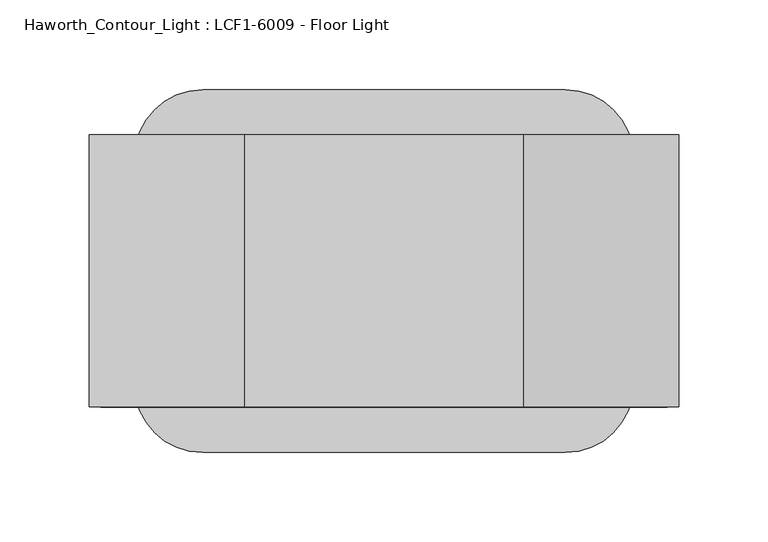
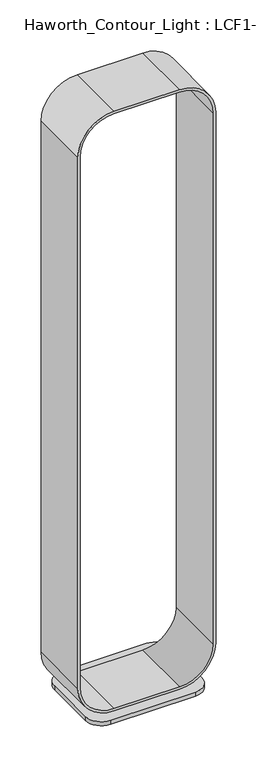
"""IFC4 building model written with IfcOpenShell, lengths in millimetres: light fixture geometry, Haworth_Contour_Light : LCF1-6009 - Floor Light."""

import ifcopenshell
import ifcopenshell.guid

model = None  # the IFC model being written
_history = None  # IfcOwnerHistory: only IFC2X3 demands one
_inside = {}  # id of a spatial element -> (the spatial element, [elements in it])
_under = {}  # id of a project, library or spatial element -> (it, [spatial elements below it])
_declared = {}  # id of a project -> (the project, [libraries it declares])
_typed = {}  # id of a type object -> (the type object, [elements of that type])
_made_of = {}  # id of a material, layer set ... -> (it, [elements and type objects made of it])


def new_model(schema):
    """Start an empty IFC model of exactly this schema.

    Asked for "IFC4X3", IfcOpenShell would pick the latest addendum, in which some entities
    have other attributes; the version numbers below select the first issue.
    IFC2X3 requires an IfcOwnerHistory on every rooted entity: one is made here for all.
    """
    global model, _history
    if schema == "IFC4X3":
        model = ifcopenshell.file(schema_version=(4, 3, 0, 0))
    else:
        model = ifcopenshell.file(schema=schema)
    _inside.clear()
    _under.clear()
    _declared.clear()
    _typed.clear()
    _made_of.clear()
    _history = None
    if model.schema == "IFC2X3":
        org = make("IfcOrganization", Name="unknown")
        user = make(
            "IfcPersonAndOrganization",
            ThePerson=make("IfcPerson", FamilyName="unknown"),
            TheOrganization=org,
        )
        app = make(
            "IfcApplication",
            ApplicationDeveloper=org,
            Version="unknown",
            ApplicationFullName="unknown",
            ApplicationIdentifier="unknown",
        )
        _history = make(
            "IfcOwnerHistory",
            OwningUser=user,
            OwningApplication=app,
            ChangeAction="ADDED",
            CreationDate=0,
        )
    return model


def make(cls, **values):
    """One entity of the class cls with the attributes given. An attribute that is None is left unset."""
    return model.create_entity(
        cls, **{name: value for name, value in values.items() if value is not None}
    )


def rooted(cls, **values):
    """An entity with a GlobalId (a new one), such as an element, a storey or a relation."""
    return make(cls, GlobalId=ifcopenshell.guid.new(), OwnerHistory=_history, **values)


def si_unit(unit_type, name, prefix=None):
    """IfcSIUnit, for example si_unit("LENGTHUNIT", "METRE", prefix="MILLI")."""
    return make("IfcSIUnit", UnitType=unit_type, Prefix=prefix, Name=name)


def assignment(units):
    """IfcUnitAssignment: the units of a project."""
    return None if units is None else make("IfcUnitAssignment", Units=units)


def point(xyz):
    """IfcCartesianPoint."""
    return None if xyz is None else make("IfcCartesianPoint", Coordinates=xyz)


def direction(xyz):
    """IfcDirection."""
    return None if xyz is None else make("IfcDirection", DirectionRatios=xyz)


def frame(location, z_axis=None, x_axis=None):
    """IfcAxis2Placement3D, a coordinate frame: its origin and axes. An axis left out is left unset."""
    return make(
        "IfcAxis2Placement3D",
        Location=point(location),
        Axis=direction(z_axis),
        RefDirection=direction(x_axis),
    )


def frame_2d(location, x_axis=None):
    """IfcAxis2Placement2D, a coordinate frame in the plane: its origin and x axis."""
    return make(
        "IfcAxis2Placement2D", Location=point(location), RefDirection=direction(x_axis)
    )


def origin():
    """The frame at (0, 0, 0) with its axes left unset."""
    return frame((0.0, 0.0, 0.0))


def origin_with_axes():
    """The frame at (0, 0, 0) with the z axis (0, 0, 1) and the x axis (1, 0, 0) written out."""
    return frame((0.0, 0.0, 0.0), z_axis=(0.0, 0.0, 1.0), x_axis=(1.0, 0.0, 0.0))


def place(relative_to, where):
    """IfcLocalPlacement: puts the frame where relative to a parent placement (None: the world)."""
    return make(
        "IfcLocalPlacement", PlacementRelTo=relative_to, RelativePlacement=where
    )


def context(
    kind, dimensions, precision=None, world=None, true_north=None, identifier=None
):
    """IfcGeometricRepresentationContext, for example the 3D "Model" context."""
    return make(
        "IfcGeometricRepresentationContext",
        ContextIdentifier=identifier,
        ContextType=kind,
        CoordinateSpaceDimension=dimensions,
        Precision=precision,
        WorldCoordinateSystem=world,
        TrueNorth=true_north,
    )


def project(units=None, contexts=None):
    """IfcProject with its units and contexts."""
    return rooted(
        "IfcProject",
        Name="project",
        RepresentationContexts=contexts,
        UnitsInContext=assignment(units),
    )


def spatial(cls, under=None, at=None, **own):
    """A site, building, storey or space (cls), placed at a placement, below another one or the project."""
    s = rooted(cls, ObjectPlacement=at, **own)
    if under is not None:
        _under.setdefault(under.id(), (under, []))[1].append(s)
    return s


def polyline(points):
    """IfcPolyline through the points."""
    return make("IfcPolyline", Points=[point(p) for p in points])


def circle_curve(where, radius):
    """IfcCircle in the frame where."""
    return make("IfcCircle", Position=where, Radius=radius)


def trimmed(basis, trim1, trim2, sense, master):
    """IfcTrimmedCurve: the piece of a basis curve between two trims."""
    return make(
        "IfcTrimmedCurve",
        BasisCurve=basis,
        Trim1=trim1,
        Trim2=trim2,
        SenseAgreement=sense,
        MasterRepresentation=master,
    )


def segment(curve, same_sense, transition):
    """IfcCompositeCurveSegment."""
    return make(
        "IfcCompositeCurveSegment",
        Transition=transition,
        SameSense=same_sense,
        ParentCurve=curve,
    )


def composite_curve(segments, self_intersect=None):
    """IfcCompositeCurve: segments joined end to end."""
    return make("IfcCompositeCurve", Segments=segments, SelfIntersect=self_intersect)


def outline(outer, holes=None, kind="AREA"):
    """IfcArbitraryClosedProfileDef: a profile drawn as a closed curve; with holes, ...WithVoids."""
    if holes is None:
        return make("IfcArbitraryClosedProfileDef", ProfileType=kind, OuterCurve=outer)
    return make(
        "IfcArbitraryProfileDefWithVoids",
        ProfileType=kind,
        OuterCurve=outer,
        InnerCurves=holes,
    )


def extrude(swept, where, along, depth):
    """IfcExtrudedAreaSolid: the profile swept, set in the frame where, extruded along a direction by depth."""
    return make(
        "IfcExtrudedAreaSolid",
        SweptArea=swept,
        Position=where,
        ExtrudedDirection=direction(along),
        Depth=depth,
    )


def shape(context_of_items, identifier, shape_type, items):
    """IfcShapeRepresentation: the items that make up one representation, for example the "Body"."""
    return make(
        "IfcShapeRepresentation",
        ContextOfItems=context_of_items,
        RepresentationIdentifier=identifier,
        RepresentationType=shape_type,
        Items=items,
    )


def source(mapping_origin, context_of_items, identifier, shape_type, items):
    """IfcRepresentationMap: a shape defined once, which mapped items show again and again."""
    return make(
        "IfcRepresentationMap",
        MappingOrigin=mapping_origin,
        MappedRepresentation=shape(context_of_items, identifier, shape_type, items),
    )


def transform(
    local_origin,
    x_axis=None,
    y_axis=None,
    z_axis=None,
    scale=None,
    scale2=None,
    scale3=None,
    uniform=True,
):
    """IfcCartesianTransformationOperator3D, or its non-uniform kind. x_axis, y_axis, z_axis: its Axis1, 2, 3."""
    if uniform:
        return make(
            "IfcCartesianTransformationOperator3D",
            Axis1=direction(x_axis),
            Axis2=direction(y_axis),
            LocalOrigin=point(local_origin),
            Scale=scale,
            Axis3=direction(z_axis),
        )
    return make(
        "IfcCartesianTransformationOperator3DnonUniform",
        Axis1=direction(x_axis),
        Axis2=direction(y_axis),
        LocalOrigin=point(local_origin),
        Scale=scale,
        Axis3=direction(z_axis),
        Scale2=scale2,
        Scale3=scale3,
    )


def mapped(mapping_source, mapping_target):
    """IfcMappedItem: shows the shape of a source again, moved by a transform."""
    return make(
        "IfcMappedItem", MappingSource=mapping_source, MappingTarget=mapping_target
    )


def made_of(thing, what):
    """Note that an element or type object is made of a material, layer set ...; save() writes the relation."""
    if what is not None:
        _made_of.setdefault(what.id(), (what, []))[1].append(thing)
    return thing


def element(
    cls,
    number,
    at=None,
    inside=None,
    cuts=None,
    type_object=None,
    material=None,
    context=None,
    identifier="Body",
    shape_type=None,
    held_by="IfcProductDefinitionShape",
    body=None,
    shapes=None,
    **own,
):
    """One element of the class cls, such as IfcWall. Its Tag is "e" and its number.

    at: its placement. inside: the storey or other place that contains it. cuts: it is an
    opening in that element (IfcRelVoidsElement). A single representation is given by context,
    identifier, shape_type and body (its items); several are given by shapes. held_by: the class
    of the entity that holds the representations. save() writes the other relations.
    """
    e = rooted(cls, Tag="e%d" % number, ObjectPlacement=at, **own)
    if body is not None:
        shapes = [shape(context, identifier, shape_type, body)]
    if shapes is not None:
        e.Representation = make(held_by, Representations=shapes)
    if inside is not None:
        _inside.setdefault(inside.id(), (inside, []))[1].append(e)
    if cuts is not None:
        rooted(
            "IfcRelVoidsElement", RelatingBuildingElement=cuts, RelatedOpeningElement=e
        )
    if type_object is not None:
        _typed.setdefault(type_object.id(), (type_object, []))[1].append(e)
    return made_of(e, material)


def aggregate(whole, parts):
    """IfcRelAggregates: a whole, such as a stair, and the parts it consists of."""
    return rooted("IfcRelAggregates", RelatingObject=whole, RelatedObjects=parts)


def save(model, path):
    """Write the relations noted so far, then the file.

    IfcRelAggregates (storeys below a building ...), IfcRelContainedInSpatialStructure (elements
    in a storey), IfcRelDefinesByType, IfcRelAssociatesMaterial and IfcRelDeclares: one each for
    every whole, place, type object, material and project.
    """
    for whole, parts in _under.values():
        aggregate(whole, parts)
    for where, things in _inside.values():
        rooted(
            "IfcRelContainedInSpatialStructure",
            RelatedElements=things,
            RelatingStructure=where,
        )
    for kind, things in _typed.values():
        rooted("IfcRelDefinesByType", RelatedObjects=things, RelatingType=kind)
    for what, things in _made_of.values():
        rooted("IfcRelAssociatesMaterial", RelatedObjects=things, RelatingMaterial=what)
    for by, libraries in _declared.values():
        rooted("IfcRelDeclares", RelatingContext=by, RelatedDefinitions=libraries)
    model.write(path)


def haworth_contour_light_lcf1_6009_floor_light_6663f58d(model_context):
    return source(origin(), model_context, "Body", "SweptSolid", [
        extrude(outline(composite_curve([segment(polyline([(-18.7713689, 249.6532081), (77.6286291, 249.6532081)]), True, "CONTINUOUS"), segment(trimmed(circle_curve(frame_2d((77.6286291, 230.6032081)), 19.05), [point((77.6286291, 249.6532081))], [point((96.6786291, 230.6032081))], False, "CARTESIAN"), True, "CONTINUOUS"), segment(polyline([(96.6786291, 230.6032081), (96.6786291, 217.9032089)]), True, "CONTINUOUS"), segment(trimmed(circle_curve(frame_2d((77.6286291, 217.9032089)), 19.05), [point((96.6786291, 217.9032089))], [point((77.6286291, 198.8532089))], False, "CARTESIAN"), True, "CONTINUOUS"), segment(polyline([(77.6286291, 198.8532089), (-18.7713689, 198.8532089)]), True, "CONTINUOUS"), segment(trimmed(circle_curve(frame_2d((-18.7713689, 217.9032089)), 19.05), [point((-18.7713689, 198.8532089))], [point((-37.8213689, 217.9032089))], False, "CARTESIAN"), True, "CONTINUOUS"), segment(polyline([(-37.8213689, 217.9032089), (-37.8213689, 230.6032081)]), True, "CONTINUOUS"), segment(trimmed(circle_curve(frame_2d((-18.7713689, 230.6032081)), 19.05), [point((-37.8213689, 230.6032081))], [point((-18.7713689, 249.6532081))], False, "CARTESIAN"), True, "CONTINUOUS")], self_intersect=False)), frame((0.0, 0.0, 1513.8796875), z_axis=(0.0, 0.0, 1.0), x_axis=(1.0, 0.0, 0.0)), (0.0, 0.0, 1.0), 3.7703125),
        extrude(outline(composite_curve([segment(polyline([(1436.7867188, -135.6713699), (97.1192809, -135.6713699)]), True, "CONTINUOUS"), segment(trimmed(circle_curve(frame_2d((97.1192809, -48.4580887)), 87.2132813), [point((97.1192809, -135.6713699))], [point((9.9059996, -48.4580887))], False, "CARTESIAN"), True, "CONTINUOUS"), segment(polyline([(9.9059996, -48.4580887), (9.9059996, 107.3153488)]), True, "CONTINUOUS"), segment(trimmed(circle_curve(frame_2d((97.1192809, 107.3153488)), 87.2132813), [point((9.9059996, 107.3153488))], [point((97.1192809, 194.5286301))], False, "CARTESIAN"), True, "CONTINUOUS"), segment(polyline([(97.1192809, 194.5286301), (1436.7867188, 194.5286301)]), True, "CONTINUOUS"), segment(trimmed(circle_curve(frame_2d((1436.7867188, 107.3153488)), 87.2132813), [point((1436.7867188, 194.5286301))], [point((1524.0, 107.3153488))], False, "CARTESIAN"), True, "CONTINUOUS"), segment(polyline([(1524.0, 107.3153488), (1524.0, -48.4580887)]), True, "CONTINUOUS"), segment(trimmed(circle_curve(frame_2d((1436.7867188, -48.4580887)), 87.2132813), [point((1524.0, -48.4580887))], [point((1436.7867188, -135.6713699))], False, "CARTESIAN"), True, "CONTINUOUS")], self_intersect=False), holes=[composite_curve([segment(trimmed(circle_curve(frame_2d((1436.7867188, -48.4580887)), 80.8632813), [point((1436.7867188, -129.3213699))], [point((1517.65, -48.4580887))], True, "CARTESIAN"), True, "CONTINUOUS"), segment(polyline([(1517.65, -48.4580887), (1517.65, 107.3153488)]), True, "CONTINUOUS"), segment(trimmed(circle_curve(frame_2d((1436.7867188, 107.3153488)), 80.8632813), [point((1517.65, 107.3153488))], [point((1436.7867188, 188.1786301))], True, "CARTESIAN"), True, "CONTINUOUS"), segment(polyline([(1436.7867188, 188.1786301), (97.1192809, 188.1786301)]), True, "CONTINUOUS"), segment(trimmed(circle_curve(frame_2d((97.1192809, 107.3153488)), 80.8632813), [point((97.1192809, 188.1786301))], [point((16.2559996, 107.3153488))], True, "CARTESIAN"), True, "CONTINUOUS"), segment(polyline([(16.2559996, 107.3153488), (16.2559996, -48.4580887)]), True, "CONTINUOUS"), segment(trimmed(circle_curve(frame_2d((97.1192809, -48.4580887)), 80.8632813), [point((16.2559996, -48.4580887))], [point((97.1192809, -129.3213699))], True, "CARTESIAN"), True, "CONTINUOUS"), segment(polyline([(97.1192809, -129.3213699), (1436.7867188, -129.3213699)]), True, "CONTINUOUS")], self_intersect=False)]), frame((0.0, 148.0534729, 0.0), z_axis=(0.0, 1.0, 0.0), x_axis=(0.0, 0.0, 1.0)), (0.0, 0.0, 1.0), 152.3994711),
        extrude(outline(composite_curve([segment(trimmed(circle_curve(frame_2d((131.0391453, 287.7532085)), 38.1), [point((131.0391453, 325.8532085))], [point((169.1391453, 287.7532085))], False, "CARTESIAN"), True, "CONTINUOUS"), segment(polyline([(169.1391453, 287.7532085), (169.1391453, 160.7532085)]), True, "CONTINUOUS"), segment(trimmed(circle_curve(frame_2d((131.0391453, 160.7532085)), 38.1), [point((169.1391453, 160.7532085))], [point((131.0391453, 122.6532085))], False, "CARTESIAN"), True, "CONTINUOUS"), segment(polyline([(131.0391453, 122.6532085), (-72.1818851, 122.6532085)]), True, "CONTINUOUS"), segment(trimmed(circle_curve(frame_2d((-72.1818851, 160.7532085)), 38.1), [point((-72.1818851, 122.6532085))], [point((-110.2818851, 160.7532085))], False, "CARTESIAN"), True, "CONTINUOUS"), segment(polyline([(-110.2818851, 160.7532085), (-110.2818851, 287.7532085)]), True, "CONTINUOUS"), segment(trimmed(circle_curve(frame_2d((-72.1818851, 287.7532085)), 38.1), [point((-110.2818851, 287.7532085))], [point((-72.1818851, 325.8532085))], False, "CARTESIAN"), True, "CONTINUOUS"), segment(polyline([(-72.1818851, 325.8532085), (131.0391453, 325.8532085)]), True, "CONTINUOUS")], self_intersect=False)), origin_with_axes(), (0.0, 0.0, 1.0), 9.9059996),
    ])


if __name__ == "__main__":
    model = new_model("IFC4")
    model_context = context("Model", 3, world=origin())
    ifc_project = project(units=[si_unit("LENGTHUNIT", "METRE", prefix="MILLI")], contexts=[model_context])
    site = spatial("IfcSite", under=ifc_project)
    building = spatial("IfcBuilding", under=site)
    placement = place(None, origin())
    haworth_contour_light_lcf1_6009_floor_light_shape = haworth_contour_light_lcf1_6009_floor_light_6663f58d(model_context)
    element("IfcLightFixture", 1, ObjectType="Haworth_Contour_Light : LCF1-6009 - Floor Light", at=placement, inside=building, context=model_context, shape_type="MappedRepresentation", body=[
        mapped(haworth_contour_light_lcf1_6009_floor_light_shape, transform((0.0, 0.0, 0.0), x_axis=(1.0, 0.0, 0.0), y_axis=(0.0, 1.0, 0.0), z_axis=(0.0, 0.0, 1.0))),
    ])
    save(model, "model.ifc")
